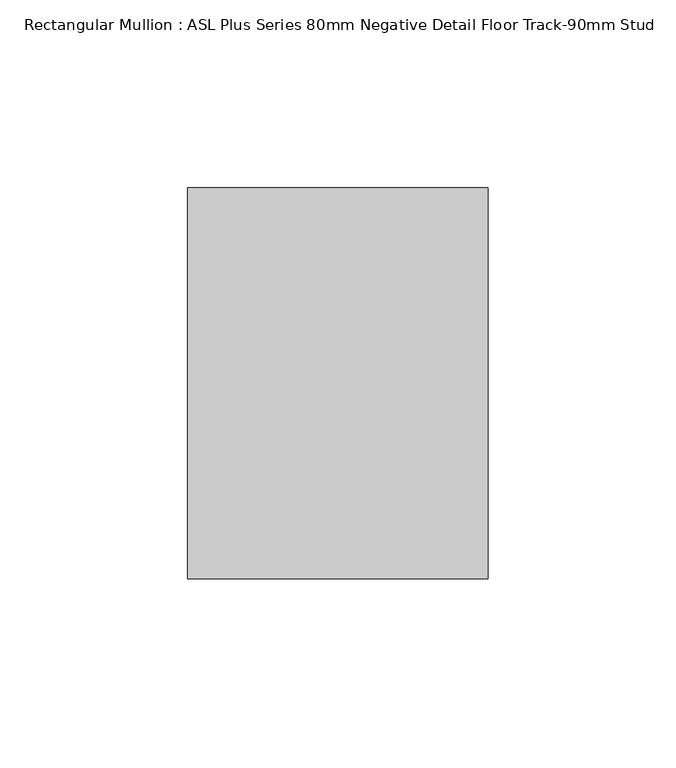
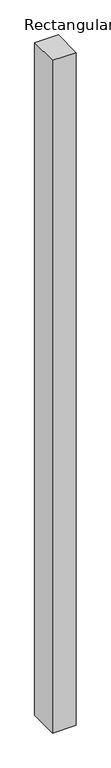
"""IFC4 building model written with IfcOpenShell, lengths in millimetres: member geometry, Rectangular Mullion : ASL Plus Series 80mm Negative Detail Floor Track-90mm Stud."""

from ifc_helpers import new_model, si_unit, frame, origin, place, context, project, spatial, polyline, outline, extrude, source, transform, mapped, element, save


def rectangular_mullion_asl_plus_series_80mm_negative_detail_f7fbbd7a(model_context):
    return source(origin(), model_context, "Body", "SweptSolid", [
        extrude(outline(polyline([(0.0, 52.0), (0.0, -52.0), (-80.0, -52.0), (-80.0, 52.0), (0.0, 52.0)])), frame((0.0, 0.0, -2400.0), z_axis=(0.0, 0.0, 1.0), x_axis=(1.0, 0.0, 0.0)), (0.0, 0.0, 1.0), 2400.0),
    ])


if __name__ == "__main__":
    model = new_model("IFC4")
    model_context = context("Model", 3, world=origin())
    ifc_project = project(units=[si_unit("LENGTHUNIT", "METRE", prefix="MILLI")], contexts=[model_context])
    site = spatial("IfcSite", under=ifc_project)
    building = spatial("IfcBuilding", under=site)
    placement = place(None, origin())
    rectangular_mullion_asl_plus_series_80mm_negative_detail_shape = rectangular_mullion_asl_plus_series_80mm_negative_detail_f7fbbd7a(model_context)
    element("IfcMember", 1, ObjectType="Rectangular Mullion : ASL Plus Series 80mm Negative Detail Floor Track-90mm Stud", at=placement, inside=building, context=model_context, shape_type="MappedRepresentation", body=[
        mapped(rectangular_mullion_asl_plus_series_80mm_negative_detail_shape, transform((0.0, 0.0, 0.0), x_axis=(1.0, 0.0, 0.0), y_axis=(0.0, 1.0, 0.0), z_axis=(0.0, 0.0, 1.0))),
    ])
    save(model, "model.ifc")
